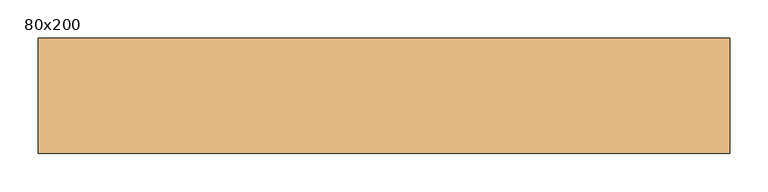
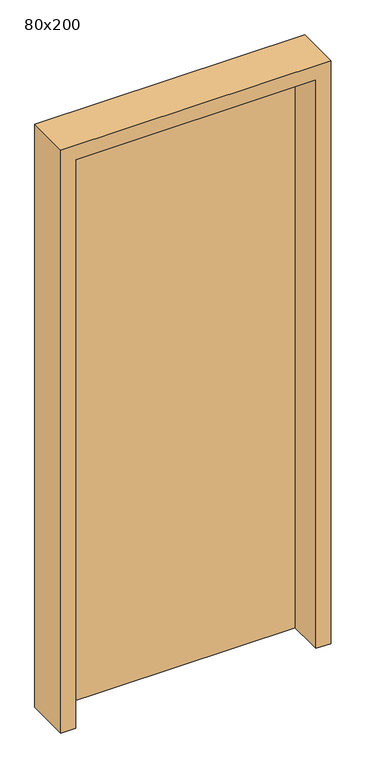
"""IFC4 building model written with IfcOpenShell, lengths in millimetres: door geometry, 80x200."""

from ifc_helpers import new_model, si_unit, frame, origin, origin_with_axes, place, context, project, spatial, polyline, outline, extrude, source, transform, mapped, element, save


def door_80x200_693c0ffa(model_context):
    return source(origin(), model_context, "Body", "SweptSolid", [
        extrude(outline(polyline([(525.0, 75.0), (525.0, 45.0), (-275.0, 45.0), (-275.0, 75.0), (525.0, 75.0)])), origin_with_axes(), (0.0, 0.0, 1.0), 2000.0),
        extrude(outline(polyline([(2050.0, 575.0), (2050.0, -325.0), (0.0, -325.0), (0.0, -275.0), (2000.0, -275.0), (2000.0, 525.0), (0.0, 525.0), (0.0, 575.0), (2050.0, 575.0)])), frame((0.0, -75.0, 0.0), z_axis=(0.0, 1.0, 0.0), x_axis=(0.0, 0.0, 1.0)), (0.0, 0.0, 1.0), 150.0),
    ])


if __name__ == "__main__":
    model = new_model("IFC4")
    model_context = context("Model", 3, world=origin())
    ifc_project = project(units=[si_unit("LENGTHUNIT", "METRE", prefix="MILLI")], contexts=[model_context])
    site = spatial("IfcSite", under=ifc_project)
    building = spatial("IfcBuilding", under=site)
    placement = place(None, origin())
    door_80x200_shape = door_80x200_693c0ffa(model_context)
    element("IfcDoor", 1, ObjectType="80x200", at=placement, inside=building, context=model_context, shape_type="MappedRepresentation", body=[
        mapped(door_80x200_shape, transform((0.0, 0.0, 0.0), x_axis=(1.0, 0.0, 0.0), y_axis=(0.0, 1.0, 0.0), z_axis=(0.0, 0.0, 1.0))),
    ])
    save(model, "model.ifc")
